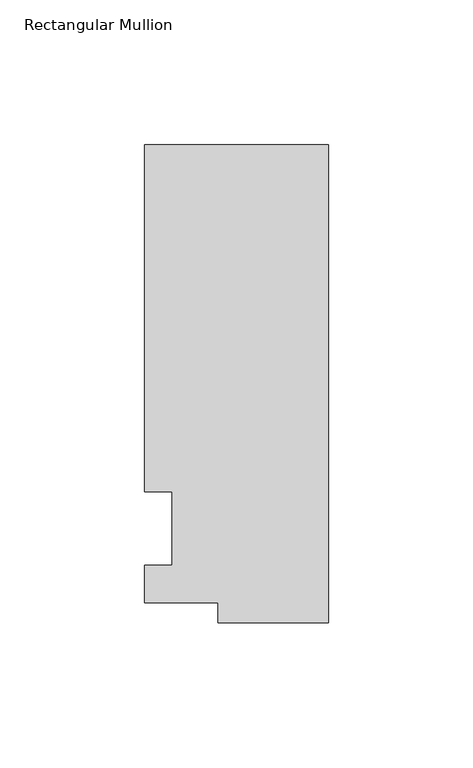
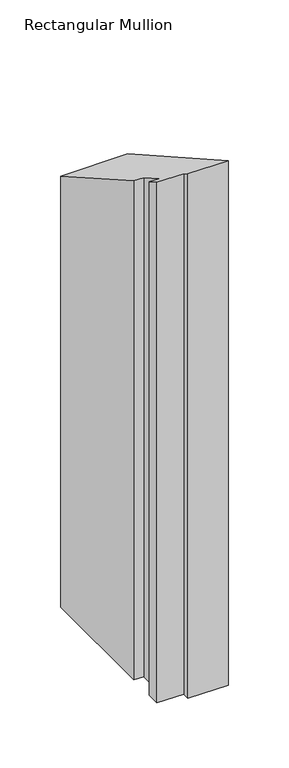
"""IFC4 building model written with IfcOpenShell, lengths in millimetres: member geometry, Rectangular Mullion."""

from ifc_helpers import new_model, si_unit, origin, place, context, project, spatial, faceted_brep, source, transform, mapped, element, save


def rectangular_mullion_eb1a032a(model_context):
    return source(origin(), model_context, "Body", "Brep", [
        faceted_brep([(-38.1, -32.54375, -508.0), (-38.1, -25.58415, -508.0), (-63.5, -25.58415, -508.0), (-63.5, -12.7, -508.0), (-53.975, -12.7, -508.0), (-53.975, 12.7, -508.0), (-63.5, 12.7, -508.0), (-63.5, 132.55625, -508.0), (0.0, 132.55625, -508.0), (0.0, -32.54375, -508.0), (0.0, -32.54375, 18.4123679), (-38.1, -32.54375, 18.4123679), (0.0, 132.55625, -74.9967178), (-63.5, 132.55625, -74.9967178), (-63.5, 12.7, -7.1853143), (-53.975, 12.7, -7.1853143), (-53.975, -12.7, 7.1853143), (-63.5, -12.7, 7.1853143), (-63.5, -25.58415, 14.4748156), (-38.1, -25.58415, 14.4748156)], [[[0, 1, 2, 3, 4, 5, 6, 7, 8, 9]], [[10, 11, 0, 9]], [[12, 10, 9, 8]], [[13, 12, 8, 7]], [[14, 13, 7, 6]], [[15, 14, 6, 5]], [[16, 15, 5, 4]], [[17, 16, 4, 3]], [[18, 17, 3, 2]], [[11, 10, 12, 13, 14, 15, 16, 17, 18, 19]], [[19, 18, 2, 1]], [[11, 19, 1, 0]]]),
    ])


if __name__ == "__main__":
    model = new_model("IFC4")
    model_context = context("Model", 3, world=origin())
    ifc_project = project(units=[si_unit("LENGTHUNIT", "METRE", prefix="MILLI")], contexts=[model_context])
    site = spatial("IfcSite", under=ifc_project)
    building = spatial("IfcBuilding", under=site)
    placement = place(None, origin())
    rectangular_mullion_shape = rectangular_mullion_eb1a032a(model_context)
    element("IfcMember", 1, ObjectType="Rectangular Mullion", at=placement, inside=building, context=model_context, shape_type="MappedRepresentation", body=[
        mapped(rectangular_mullion_shape, transform((0.0, 0.0, 0.0), x_axis=(1.0, 0.0, 0.0), y_axis=(0.0, 1.0, 0.0), z_axis=(0.0, 0.0, 1.0))),
    ])
    save(model, "model.ifc")
